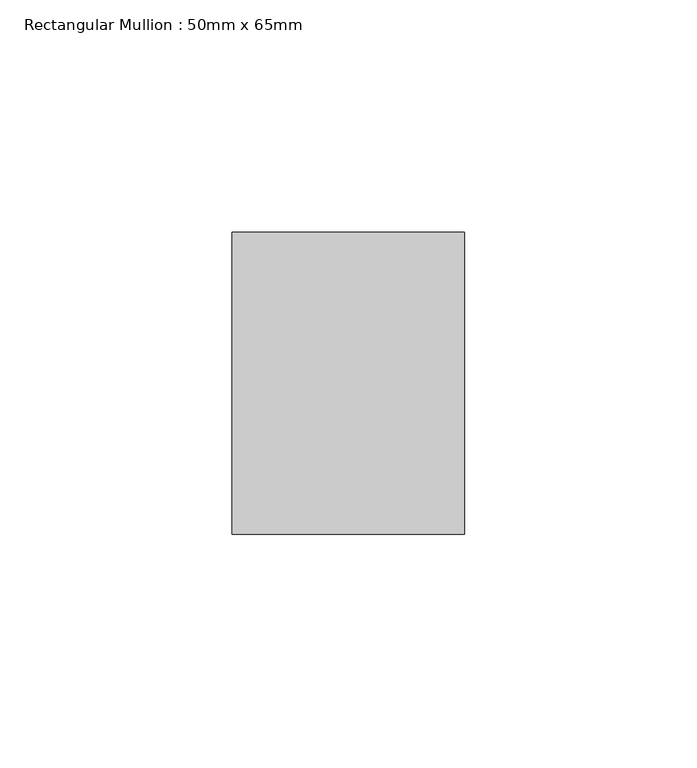
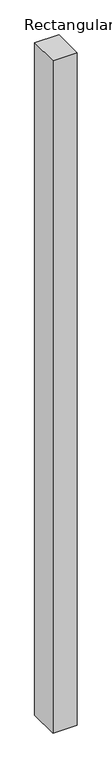
"""IFC4 building model written with IfcOpenShell, lengths in millimetres: member geometry, Rectangular Mullion : 50mm x 65mm."""

from ifc_helpers import new_model, si_unit, frame, origin, place, context, project, spatial, polyline, outline, extrude, source, transform, mapped, element, save


def rectangular_mullion_50mm_x_65mm_784820da(model_context):
    return source(origin(), model_context, "Body", "SweptSolid", [
        extrude(outline(polyline([(25.0, 32.5), (25.0, -32.5), (-25.0, -32.5), (-25.0, 32.5), (25.0, 32.5)])), frame((0.0, 0.0, -1473.7163132), z_axis=(0.0, 0.0, 1.0), x_axis=(1.0, 0.0, 0.0)), (0.0, 0.0, 1.0), 1473.7163132),
    ])


if __name__ == "__main__":
    model = new_model("IFC4")
    model_context = context("Model", 3, world=origin())
    ifc_project = project(units=[si_unit("LENGTHUNIT", "METRE", prefix="MILLI")], contexts=[model_context])
    site = spatial("IfcSite", under=ifc_project)
    building = spatial("IfcBuilding", under=site)
    placement = place(None, origin())
    rectangular_mullion_50mm_x_65mm_shape = rectangular_mullion_50mm_x_65mm_784820da(model_context)
    element("IfcMember", 1, ObjectType="Rectangular Mullion : 50mm x 65mm", at=placement, inside=building, context=model_context, shape_type="MappedRepresentation", body=[
        mapped(rectangular_mullion_50mm_x_65mm_shape, transform((0.0, 0.0, 0.0), x_axis=(1.0, 0.0, 0.0), y_axis=(0.0, 1.0, 0.0), z_axis=(0.0, 0.0, 1.0))),
    ])
    save(model, "model.ifc")
